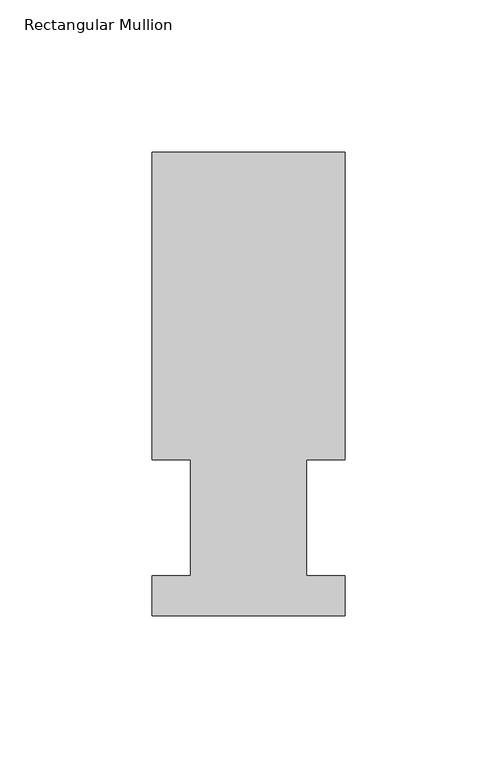
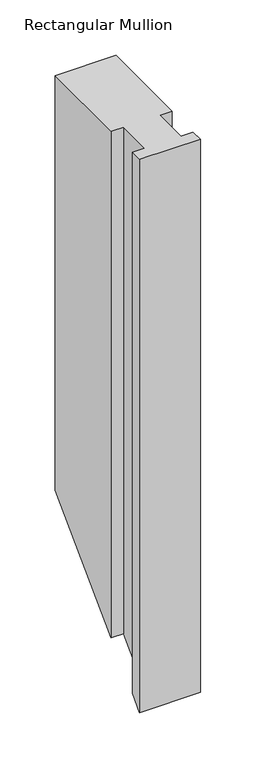
"""IFC4 building model written with IfcOpenShell, lengths in millimetres: member geometry, Rectangular Mullion."""

from ifc_helpers import new_model, si_unit, origin, place, context, project, spatial, faceted_brep, source, transform, mapped, element, save


def rectangular_mullion_2a652c7c(model_context):
    return source(origin(), model_context, "Body", "Brep", [
        faceted_brep([(-63.5, 152.4896937, 0.0), (-63.5, 51.2960938, 0.0), (-50.8, 51.2960937, 0.0), (-50.8, 13.1960938, 0.0), (-63.5, 13.1960938, 0.0), (-63.5, 0.0134938, 0.0), (0.0, 0.0134938, 0.0), (0.0, 13.1960938, 0.0), (-12.6873, 13.1960938, 0.0), (-12.6873, 51.2960938, 0.0), (0.0, 51.2960938, 0.0), (0.0, 152.4896937, 0.0), (-63.5, 152.4896937, -457.0785563), (-63.5, 51.2960937, -558.2721563), (-50.8, 51.2960937, -558.2721563), (-50.8, 13.1960938, -596.3721562), (-63.5, 13.1960938, -596.3721562), (-63.5, 0.0134938, -609.5547562), (0.0, 0.0134938, -609.5547562), (0.0, 13.1960938, -596.3721562), (-12.6873, 13.1960938, -596.3721562), (-12.6873, 51.2960938, -558.2721563), (0.0, 51.2960938, -558.2721563), (0.0, 152.4896937, -457.0785563)], [[[0, 1, 2, 3, 4, 5, 6, 7, 8, 9, 10, 11]], [[1, 0, 12, 13]], [[2, 1, 13, 14]], [[3, 2, 14, 15]], [[4, 3, 15, 16]], [[5, 4, 16, 17]], [[6, 5, 17, 18]], [[7, 6, 18, 19]], [[8, 7, 19, 20]], [[9, 8, 20, 21]], [[10, 9, 21, 22]], [[11, 10, 22, 23]], [[0, 11, 23, 12]], [[12, 23, 22, 21, 20, 19, 18, 17, 16, 15, 14, 13]]]),
    ])


if __name__ == "__main__":
    model = new_model("IFC4")
    model_context = context("Model", 3, world=origin())
    ifc_project = project(units=[si_unit("LENGTHUNIT", "METRE", prefix="MILLI")], contexts=[model_context])
    site = spatial("IfcSite", under=ifc_project)
    building = spatial("IfcBuilding", under=site)
    placement = place(None, origin())
    rectangular_mullion_shape = rectangular_mullion_2a652c7c(model_context)
    element("IfcMember", 1, ObjectType="Rectangular Mullion", at=placement, inside=building, context=model_context, shape_type="MappedRepresentation", body=[
        mapped(rectangular_mullion_shape, transform((0.0, 0.0, 0.0), x_axis=(1.0, 0.0, 0.0), y_axis=(0.0, 1.0, 0.0), z_axis=(0.0, 0.0, 1.0))),
    ])
    save(model, "model.ifc")
